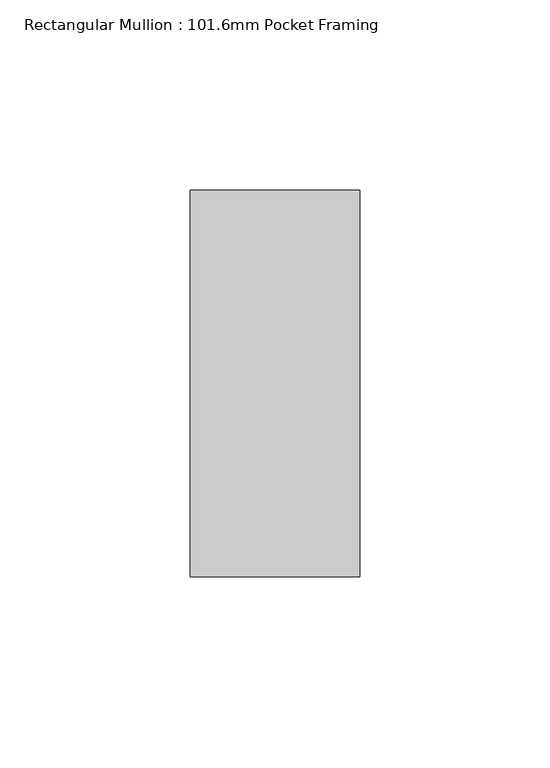
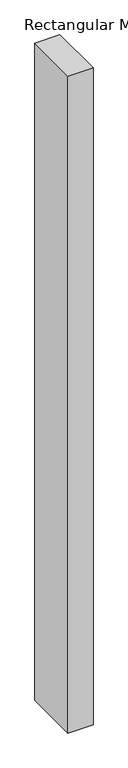
"""IFC4 building model written with IfcOpenShell, lengths in millimetres: member geometry, Rectangular Mullion : 101.6mm Pocket Framing."""

from ifc_helpers import new_model, si_unit, frame, origin, place, context, project, spatial, polyline, outline, extrude, source, transform, mapped, element, save


def rectangular_mullion_101_6mm_pocket_framing_c2234b28(model_context):
    return source(origin(), model_context, "Body", "SweptSolid", [
        extrude(outline(polyline([(0.0, 50.8), (0.0, -50.8), (-44.5, -50.8), (-44.5, 50.8), (0.0, 50.8)])), frame((0.0, 0.0, -1233.3), z_axis=(0.0, 0.0, 1.0), x_axis=(1.0, 0.0, 0.0)), (0.0, 0.0, 1.0), 1233.3),
    ])


if __name__ == "__main__":
    model = new_model("IFC4")
    model_context = context("Model", 3, world=origin())
    ifc_project = project(units=[si_unit("LENGTHUNIT", "METRE", prefix="MILLI")], contexts=[model_context])
    site = spatial("IfcSite", under=ifc_project)
    building = spatial("IfcBuilding", under=site)
    placement = place(None, origin())
    rectangular_mullion_101_6mm_pocket_framing_shape = rectangular_mullion_101_6mm_pocket_framing_c2234b28(model_context)
    element("IfcMember", 1, ObjectType="Rectangular Mullion : 101.6mm Pocket Framing", at=placement, inside=building, context=model_context, shape_type="MappedRepresentation", body=[
        mapped(rectangular_mullion_101_6mm_pocket_framing_shape, transform((0.0, 0.0, 0.0), x_axis=(1.0, 0.0, 0.0), y_axis=(0.0, 1.0, 0.0), z_axis=(0.0, 0.0, 1.0))),
    ])
    save(model, "model.ifc")
